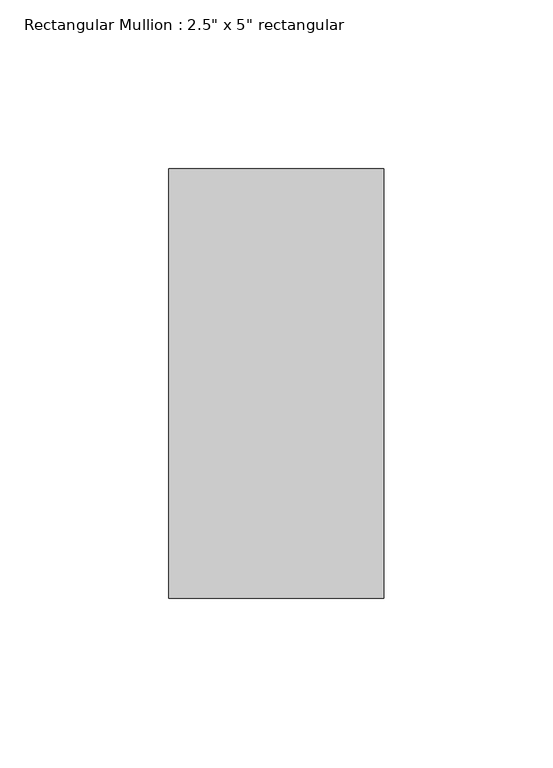
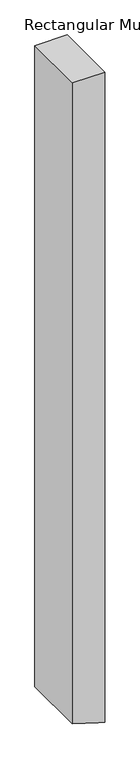
"""IFC4 building model written with IfcOpenShell, lengths in millimetres: member geometry."""

from ifc_helpers import new_model, si_unit, frame, origin, place, context, project, spatial, polyline, outline, extrude, source, transform, mapped, element, save


def member_d16a4cbc(model_context):
    return source(origin(), model_context, "Body", "SweptSolid", [
        extrude(outline(polyline([(0.0, 31.75), (0.0, -31.75), (-1328.2480736, -31.75), (-1343.6889228, 18.6132771), (-1347.7165034, 31.75), (0.0, 31.75)])), frame((0.0, -63.5, 0.0), z_axis=(0.0, 1.0, 0.0), x_axis=(0.0, 0.0, 1.0)), (0.0, 0.0, 1.0), 127.0),
    ])


if __name__ == "__main__":
    model = new_model("IFC4")
    model_context = context("Model", 3, world=origin())
    ifc_project = project(units=[si_unit("LENGTHUNIT", "METRE", prefix="MILLI")], contexts=[model_context])
    site = spatial("IfcSite", under=ifc_project)
    building = spatial("IfcBuilding", under=site)
    placement = place(None, origin())
    member_shape = member_d16a4cbc(model_context)
    element("IfcMember", 1, ObjectType="Rectangular Mullion : 2.5\" x 5\" rectangular", at=placement, inside=building, context=model_context, shape_type="MappedRepresentation", body=[
        mapped(member_shape, transform((0.0, 0.0, 0.0), x_axis=(1.0, 0.0, 0.0), y_axis=(0.0, 1.0, 0.0), z_axis=(0.0, 0.0, 1.0))),
    ])
    save(model, "model.ifc")
